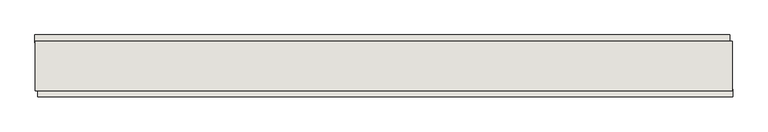
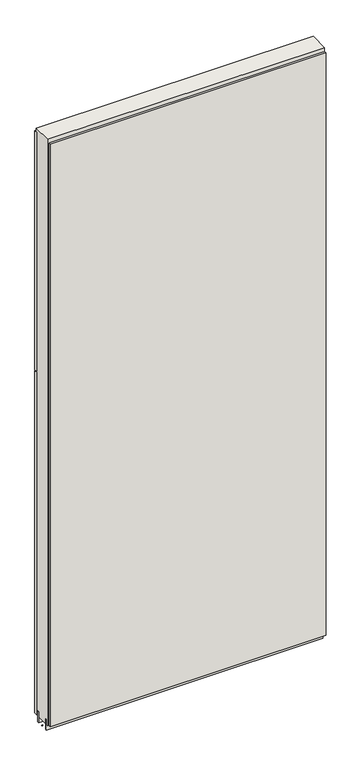
"""IFC4 building model written with IfcOpenShell, lengths in millimetres: wall geometry."""

import ifcopenshell
import ifcopenshell.guid

model = None  # the IFC model being written
_history = None  # IfcOwnerHistory: only IFC2X3 demands one
_inside = {}  # id of a spatial element -> (the spatial element, [elements in it])
_under = {}  # id of a project, library or spatial element -> (it, [spatial elements below it])
_declared = {}  # id of a project -> (the project, [libraries it declares])
_typed = {}  # id of a type object -> (the type object, [elements of that type])
_made_of = {}  # id of a material, layer set ... -> (it, [elements and type objects made of it])


def new_model(schema):
    """Start an empty IFC model of exactly this schema.

    Asked for "IFC4X3", IfcOpenShell would pick the latest addendum, in which some entities
    have other attributes; the version numbers below select the first issue.
    IFC2X3 requires an IfcOwnerHistory on every rooted entity: one is made here for all.
    """
    global model, _history
    if schema == "IFC4X3":
        model = ifcopenshell.file(schema_version=(4, 3, 0, 0))
    else:
        model = ifcopenshell.file(schema=schema)
    _inside.clear()
    _under.clear()
    _declared.clear()
    _typed.clear()
    _made_of.clear()
    _history = None
    if model.schema == "IFC2X3":
        org = make("IfcOrganization", Name="unknown")
        user = make(
            "IfcPersonAndOrganization",
            ThePerson=make("IfcPerson", FamilyName="unknown"),
            TheOrganization=org,
        )
        app = make(
            "IfcApplication",
            ApplicationDeveloper=org,
            Version="unknown",
            ApplicationFullName="unknown",
            ApplicationIdentifier="unknown",
        )
        _history = make(
            "IfcOwnerHistory",
            OwningUser=user,
            OwningApplication=app,
            ChangeAction="ADDED",
            CreationDate=0,
        )
    return model


def make(cls, **values):
    """One entity of the class cls with the attributes given. An attribute that is None is left unset."""
    return model.create_entity(
        cls, **{name: value for name, value in values.items() if value is not None}
    )


def rooted(cls, **values):
    """An entity with a GlobalId (a new one), such as an element, a storey or a relation."""
    return make(cls, GlobalId=ifcopenshell.guid.new(), OwnerHistory=_history, **values)


def si_unit(unit_type, name, prefix=None):
    """IfcSIUnit, for example si_unit("LENGTHUNIT", "METRE", prefix="MILLI")."""
    return make("IfcSIUnit", UnitType=unit_type, Prefix=prefix, Name=name)


def assignment(units):
    """IfcUnitAssignment: the units of a project."""
    return None if units is None else make("IfcUnitAssignment", Units=units)


def point(xyz):
    """IfcCartesianPoint."""
    return None if xyz is None else make("IfcCartesianPoint", Coordinates=xyz)


def direction(xyz):
    """IfcDirection."""
    return None if xyz is None else make("IfcDirection", DirectionRatios=xyz)


def frame(location, z_axis=None, x_axis=None):
    """IfcAxis2Placement3D, a coordinate frame: its origin and axes. An axis left out is left unset."""
    return make(
        "IfcAxis2Placement3D",
        Location=point(location),
        Axis=direction(z_axis),
        RefDirection=direction(x_axis),
    )


def origin():
    """The frame at (0, 0, 0) with its axes left unset."""
    return frame((0.0, 0.0, 0.0))


def place(relative_to, where):
    """IfcLocalPlacement: puts the frame where relative to a parent placement (None: the world)."""
    return make(
        "IfcLocalPlacement", PlacementRelTo=relative_to, RelativePlacement=where
    )


def context(
    kind, dimensions, precision=None, world=None, true_north=None, identifier=None
):
    """IfcGeometricRepresentationContext, for example the 3D "Model" context."""
    return make(
        "IfcGeometricRepresentationContext",
        ContextIdentifier=identifier,
        ContextType=kind,
        CoordinateSpaceDimension=dimensions,
        Precision=precision,
        WorldCoordinateSystem=world,
        TrueNorth=true_north,
    )


def project(units=None, contexts=None):
    """IfcProject with its units and contexts."""
    return rooted(
        "IfcProject",
        Name="project",
        RepresentationContexts=contexts,
        UnitsInContext=assignment(units),
    )


def spatial(cls, under=None, at=None, **own):
    """A site, building, storey or space (cls), placed at a placement, below another one or the project."""
    s = rooted(cls, ObjectPlacement=at, **own)
    if under is not None:
        _under.setdefault(under.id(), (under, []))[1].append(s)
    return s


def polyline(points):
    """IfcPolyline through the points."""
    return make("IfcPolyline", Points=[point(p) for p in points])


def outline(outer, holes=None, kind="AREA"):
    """IfcArbitraryClosedProfileDef: a profile drawn as a closed curve; with holes, ...WithVoids."""
    if holes is None:
        return make("IfcArbitraryClosedProfileDef", ProfileType=kind, OuterCurve=outer)
    return make(
        "IfcArbitraryProfileDefWithVoids",
        ProfileType=kind,
        OuterCurve=outer,
        InnerCurves=holes,
    )


def extrude(swept, where, along, depth):
    """IfcExtrudedAreaSolid: the profile swept, set in the frame where, extruded along a direction by depth."""
    return make(
        "IfcExtrudedAreaSolid",
        SweptArea=swept,
        Position=where,
        ExtrudedDirection=direction(along),
        Depth=depth,
    )


def shape(context_of_items, identifier, shape_type, items):
    """IfcShapeRepresentation: the items that make up one representation, for example the "Body"."""
    return make(
        "IfcShapeRepresentation",
        ContextOfItems=context_of_items,
        RepresentationIdentifier=identifier,
        RepresentationType=shape_type,
        Items=items,
    )


def source(mapping_origin, context_of_items, identifier, shape_type, items):
    """IfcRepresentationMap: a shape defined once, which mapped items show again and again."""
    return make(
        "IfcRepresentationMap",
        MappingOrigin=mapping_origin,
        MappedRepresentation=shape(context_of_items, identifier, shape_type, items),
    )


def transform(
    local_origin,
    x_axis=None,
    y_axis=None,
    z_axis=None,
    scale=None,
    scale2=None,
    scale3=None,
    uniform=True,
):
    """IfcCartesianTransformationOperator3D, or its non-uniform kind. x_axis, y_axis, z_axis: its Axis1, 2, 3."""
    if uniform:
        return make(
            "IfcCartesianTransformationOperator3D",
            Axis1=direction(x_axis),
            Axis2=direction(y_axis),
            LocalOrigin=point(local_origin),
            Scale=scale,
            Axis3=direction(z_axis),
        )
    return make(
        "IfcCartesianTransformationOperator3DnonUniform",
        Axis1=direction(x_axis),
        Axis2=direction(y_axis),
        LocalOrigin=point(local_origin),
        Scale=scale,
        Axis3=direction(z_axis),
        Scale2=scale2,
        Scale3=scale3,
    )


def mapped(mapping_source, mapping_target):
    """IfcMappedItem: shows the shape of a source again, moved by a transform."""
    return make(
        "IfcMappedItem", MappingSource=mapping_source, MappingTarget=mapping_target
    )


def made_of(thing, what):
    """Note that an element or type object is made of a material, layer set ...; save() writes the relation."""
    if what is not None:
        _made_of.setdefault(what.id(), (what, []))[1].append(thing)
    return thing


def element(
    cls,
    number,
    at=None,
    inside=None,
    cuts=None,
    type_object=None,
    material=None,
    context=None,
    identifier="Body",
    shape_type=None,
    held_by="IfcProductDefinitionShape",
    body=None,
    shapes=None,
    **own,
):
    """One element of the class cls, such as IfcWall. Its Tag is "e" and its number.

    at: its placement. inside: the storey or other place that contains it. cuts: it is an
    opening in that element (IfcRelVoidsElement). A single representation is given by context,
    identifier, shape_type and body (its items); several are given by shapes. held_by: the class
    of the entity that holds the representations. save() writes the other relations.
    """
    e = rooted(cls, Tag="e%d" % number, ObjectPlacement=at, **own)
    if body is not None:
        shapes = [shape(context, identifier, shape_type, body)]
    if shapes is not None:
        e.Representation = make(held_by, Representations=shapes)
    if inside is not None:
        _inside.setdefault(inside.id(), (inside, []))[1].append(e)
    if cuts is not None:
        rooted(
            "IfcRelVoidsElement", RelatingBuildingElement=cuts, RelatedOpeningElement=e
        )
    if type_object is not None:
        _typed.setdefault(type_object.id(), (type_object, []))[1].append(e)
    return made_of(e, material)


def aggregate(whole, parts):
    """IfcRelAggregates: a whole, such as a stair, and the parts it consists of."""
    return rooted("IfcRelAggregates", RelatingObject=whole, RelatedObjects=parts)


def save(model, path):
    """Write the relations noted so far, then the file.

    IfcRelAggregates (storeys below a building ...), IfcRelContainedInSpatialStructure (elements
    in a storey), IfcRelDefinesByType, IfcRelAssociatesMaterial and IfcRelDeclares: one each for
    every whole, place, type object, material and project.
    """
    for whole, parts in _under.values():
        aggregate(whole, parts)
    for where, things in _inside.values():
        rooted(
            "IfcRelContainedInSpatialStructure",
            RelatedElements=things,
            RelatingStructure=where,
        )
    for kind, things in _typed.values():
        rooted("IfcRelDefinesByType", RelatedObjects=things, RelatingType=kind)
    for what, things in _made_of.values():
        rooted("IfcRelAssociatesMaterial", RelatedObjects=things, RelatingMaterial=what)
    for by, libraries in _declared.values():
        rooted("IfcRelDeclares", RelatingContext=by, RelatedDefinitions=libraries)
    model.write(path)


def wall_2ba27654(model_context):
    return source(origin(), model_context, "Body", "SweptSolid", [
        extrude(outline(polyline([(40511.7275108, -45576.6245692), (40509.1875108, -45576.6245692), (40509.1875108, -45574.0845692), (40511.7275108, -45574.0845692), (40511.7275108, -45576.6245692)])), frame((0.0, 0.0, 4419.6), z_axis=(0.0, 0.0, 1.0), x_axis=(1.0, 0.0, 0.0)), (0.0, 0.0, 1.0), 2.54),
        extrude(outline(polyline([(40508.7222717, -45524.557668), (41650.2690615, -45524.557668), (41650.2690615, -45537.257668), (40508.7222717, -45537.257668), (40508.7222717, -45524.557668)])), frame((0.0, 0.0, 5945.599869), z_axis=(0.0, 0.0, 1.0), x_axis=(1.0, 0.0, 0.0)), (0.0, 0.0, 1.0), 1044.449905),
        extrude(outline(polyline([(40508.7222717, -45524.557668), (41650.2690615, -45524.557668), (41650.2690615, -45537.257668), (40508.7222717, -45537.257668), (40508.7222717, -45524.557668)])), frame((0.0, 0.0, 4445.0), z_axis=(0.0, 0.0, 1.0), x_axis=(1.0, 0.0, 0.0)), (0.0, 0.0, 1.0), 1496.600004),
        extrude(outline(polyline([(41655.1989729, -45626.157668), (40513.6521831, -45626.157668), (40513.6521831, -45613.457668), (41655.1989729, -45613.457668), (41655.1989729, -45626.157668)])), frame((0.0, 0.0, 4445.0), z_axis=(0.0, 0.0, 1.0), x_axis=(1.0, 0.0, 0.0)), (0.0, 0.0, 1.0), 2545.0498756),
        extrude(outline(polyline([(41654.7287554, -45550.2770222), (40509.1893904, -45550.2770222), (40509.1893904, -45545.1982668), (41654.7287554, -45545.1982668), (41654.7287554, -45550.2770222)])), frame((0.0, 0.0, 4418.6602), z_axis=(0.0, 0.0, 1.0), x_axis=(1.0, 0.0, 0.0)), (0.0, 0.0, 1.0), 47.625),
        extrude(outline(polyline([(41654.7287554, -45550.2770222), (40509.1893904, -45550.2770222), (40509.1893904, -45545.1982668), (41654.7287554, -45545.1982668), (41654.7287554, -45550.2770222)])), frame((0.0, 0.0, 4418.6602), z_axis=(0.0, 0.0, 1.0), x_axis=(1.0, 0.0, 0.0)), (0.0, 0.0, 1.0), 47.625),
        extrude(outline(polyline([(40509.1893904, -45600.4414126), (41654.7287554, -45600.4414126), (41654.7287554, -45605.5232668), (40509.1893904, -45605.5232668), (40509.1893904, -45600.4414126)])), frame((0.0, 0.0, 4418.6602), z_axis=(0.0, 0.0, 1.0), x_axis=(1.0, 0.0, 0.0)), (0.0, 0.0, 1.0), 47.625),
        extrude(outline(polyline([(40509.1893904, -45600.4414126), (41654.7287554, -45600.4414126), (41654.7287554, -45605.5232668), (40509.1893904, -45605.5232668), (40509.1893904, -45600.4414126)])), frame((0.0, 0.0, 4418.6602), z_axis=(0.0, 0.0, 1.0), x_axis=(1.0, 0.0, 0.0)), (0.0, 0.0, 1.0), 47.625),
        extrude(outline(polyline([(41654.7287554, -45534.7058824), (41654.7287554, -45616.0125524), (40509.1893904, -45615.9877366), (40509.1893904, -45534.7058824), (41654.7287554, -45534.7058824)])), frame((0.0, 0.0, 4445.0), z_axis=(0.0, 0.0, 1.0), x_axis=(1.0, 0.0, 0.0)), (0.0, 0.0, 1.0), 2562.4536762),
    ])


if __name__ == "__main__":
    model = new_model("IFC4")
    model_context = context("Model", 3, world=origin())
    ifc_project = project(units=[si_unit("LENGTHUNIT", "METRE", prefix="MILLI")], contexts=[model_context])
    site = spatial("IfcSite", under=ifc_project)
    building = spatial("IfcBuilding", under=site)
    placement = place(None, origin())
    wall_shape = wall_2ba27654(model_context)
    element("IfcWall", 1, at=placement, inside=building, context=model_context, shape_type="MappedRepresentation", body=[
        mapped(wall_shape, transform((0.0, 0.0, 0.0), x_axis=(1.0, 0.0, 0.0), y_axis=(0.0, 1.0, 0.0), z_axis=(0.0, 0.0, 1.0))),
    ])
    save(model, "model.ifc")
